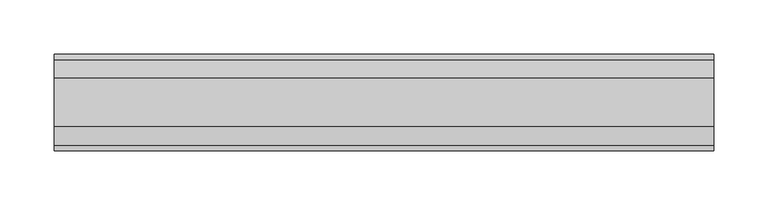
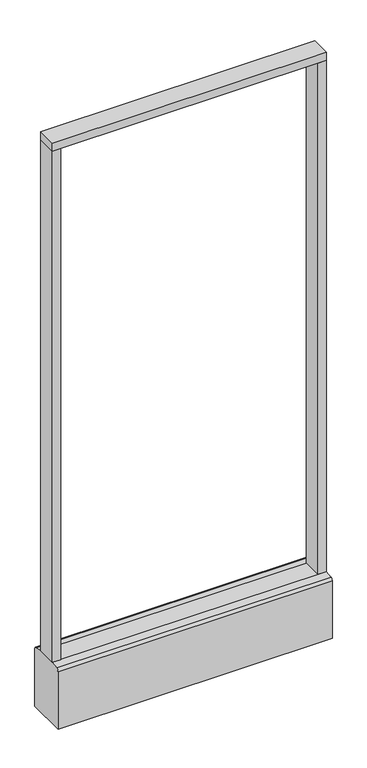
"""IFC4 building model written with IfcOpenShell, lengths in millimetres: furniture geometry."""

from ifc_helpers import new_model, si_unit, point, frame, frame_2d, origin, origin_with_axes, place, context, project, spatial, polyline, circle_curve, trimmed, segment, composite_curve, outline, extrude, source, transform, mapped, element, save


def furniture_4fcc7d67(model_context):
    return source(origin(), model_context, "Body", "SweptSolid", [
        extrude(outline(polyline([(304.8, -22.225), (-304.8, -22.225), (-304.8, 22.225), (304.8, 22.225), (304.8, -22.225)])), frame((0.0, 0.0, 1352.55), z_axis=(0.0, 0.0, 1.0), x_axis=(1.0, 0.0, 0.0)), (0.0, 0.0, 1.0), 19.05),
        extrude(outline(composite_curve([segment(trimmed(circle_curve(frame_2d((-228.6, 0.0)), 23.415625), [point((-252.015625, 0.0))], [point((-205.184375, 0.0))], False, "CARTESIAN"), True, "CONTINUOUS"), segment(trimmed(circle_curve(frame_2d((-228.6, 0.0)), 23.415625), [point((-205.184375, 0.0))], [point((-252.015625, 0.0))], False, "CARTESIAN"), True, "CONTINUOUS")], self_intersect=False)), origin_with_axes(), (0.0, 0.0, 1.0), 6.35),
        extrude(outline(composite_curve([segment(trimmed(circle_curve(frame_2d((228.6, 0.0)), 23.415625), [point((205.184375, 0.0))], [point((252.015625, 0.0))], False, "CARTESIAN"), True, "CONTINUOUS"), segment(trimmed(circle_curve(frame_2d((228.6, 0.0)), 23.415625), [point((252.015625, 0.0))], [point((205.184375, 0.0))], False, "CARTESIAN"), True, "CONTINUOUS")], self_intersect=False)), origin_with_axes(), (0.0, 0.0, 1.0), 6.35),
        extrude(outline(polyline([(-285.7500091, -22.225), (-304.8, -22.225), (-304.8, 22.225), (-285.7500091, 22.225), (-285.7500091, -22.225)])), frame((0.0, 0.0, 152.4), z_axis=(0.0, 0.0, 1.0), x_axis=(1.0, 0.0, 0.0)), (0.0, 0.0, 1.0), 1200.15),
        extrude(outline(polyline([(304.8, -22.225), (285.7500091, -22.225), (285.7500091, 22.225), (304.8, 22.225), (304.8, -22.225)])), frame((0.0, 0.0, 152.4), z_axis=(0.0, 0.0, 1.0), x_axis=(1.0, 0.0, 0.0)), (0.0, 0.0, 1.0), 1200.15),
        extrude(outline(composite_curve([segment(polyline([(-22.225, 152.4), (22.225, 152.4), (39.43219, 149.94183)]), True, "CONTINUOUS"), segment(trimmed(circle_curve(frame_2d((38.605678, 144.1562464)), 5.844322), [point((39.43219, 149.94183))], [point((44.45, 144.1562464))], False, "CARTESIAN"), True, "CONTINUOUS"), segment(polyline([(44.45, 144.1562464), (44.45, 9.525), (-44.4433083, 9.525), (-44.4433083, 144.1572033)]), True, "CONTINUOUS"), segment(trimmed(circle_curve(frame_2d((-38.5989863, 144.1572033)), 5.844322), [point((-44.4433083, 144.1572033))], [point((-39.4222979, 149.9432432))], False, "CARTESIAN"), True, "CONTINUOUS"), segment(polyline([(-39.4222979, 149.9432432), (-22.225, 152.4)]), True, "CONTINUOUS")], self_intersect=False)), frame((-304.8, 0.0, 0.0), z_axis=(1.0, 0.0, 0.0), x_axis=(0.0, 1.0, 0.0)), (0.0, 0.0, 1.0), 609.6),
        extrude(outline(composite_curve([segment(trimmed(circle_curve(frame_2d((-228.6, 0.0)), 5.55625), [point((-234.15625, 0.0))], [point((-223.04375, 0.0))], False, "CARTESIAN"), True, "CONTINUOUS"), segment(trimmed(circle_curve(frame_2d((-228.6, 0.0)), 5.55625), [point((-223.04375, 0.0))], [point((-234.15625, 0.0))], False, "CARTESIAN"), True, "CONTINUOUS")], self_intersect=False)), frame((0.0, 0.0, 6.35), z_axis=(0.0, 0.0, 1.0), x_axis=(1.0, 0.0, 0.0)), (0.0, 0.0, 1.0), 3.175),
        extrude(outline(composite_curve([segment(trimmed(circle_curve(frame_2d((228.6, 0.0)), 5.55625), [point((223.04375, 0.0))], [point((234.15625, 0.0))], False, "CARTESIAN"), True, "CONTINUOUS"), segment(trimmed(circle_curve(frame_2d((228.6, 0.0)), 5.55625), [point((234.15625, 0.0))], [point((223.04375, 0.0))], False, "CARTESIAN"), True, "CONTINUOUS")], self_intersect=False)), frame((0.0, 0.0, 6.35), z_axis=(0.0, 0.0, 1.0), x_axis=(1.0, 0.0, 0.0)), (0.0, 0.0, 1.0), 3.175),
    ])


if __name__ == "__main__":
    model = new_model("IFC4")
    model_context = context("Model", 3, world=origin())
    ifc_project = project(units=[si_unit("LENGTHUNIT", "METRE", prefix="MILLI")], contexts=[model_context])
    site = spatial("IfcSite", under=ifc_project)
    building = spatial("IfcBuilding", under=site)
    placement = place(None, origin())
    furniture_shape = furniture_4fcc7d67(model_context)
    element("IfcFurniture", 1, at=placement, inside=building, context=model_context, shape_type="MappedRepresentation", body=[
        mapped(furniture_shape, transform((0.0, 0.0, 0.0), x_axis=(1.0, 0.0, 0.0), y_axis=(0.0, 1.0, 0.0), z_axis=(0.0, 0.0, 1.0))),
    ])
    save(model, "model.ifc")
